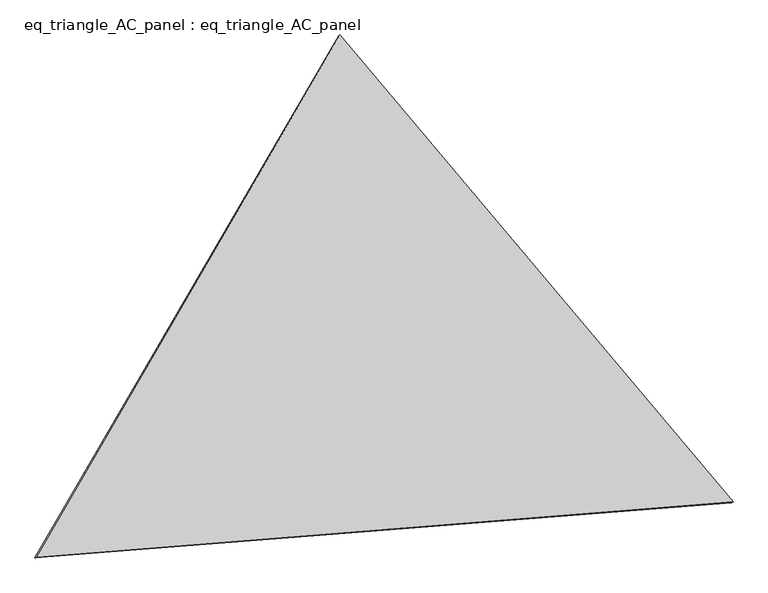
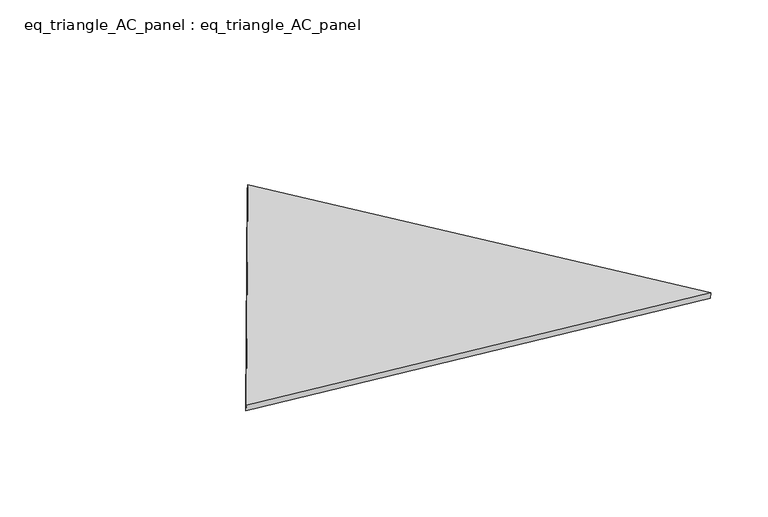
"""IFC4 building model written with IfcOpenShell, lengths in millimetres: proxy geometry, eq_triangle_AC_panel : eq_triangle_AC_panel."""

import ifcopenshell
import ifcopenshell.guid

model = None  # the IFC model being written
_history = None  # IfcOwnerHistory: only IFC2X3 demands one
_inside = {}  # id of a spatial element -> (the spatial element, [elements in it])
_under = {}  # id of a project, library or spatial element -> (it, [spatial elements below it])
_declared = {}  # id of a project -> (the project, [libraries it declares])
_typed = {}  # id of a type object -> (the type object, [elements of that type])
_made_of = {}  # id of a material, layer set ... -> (it, [elements and type objects made of it])


def new_model(schema):
    """Start an empty IFC model of exactly this schema.

    Asked for "IFC4X3", IfcOpenShell would pick the latest addendum, in which some entities
    have other attributes; the version numbers below select the first issue.
    IFC2X3 requires an IfcOwnerHistory on every rooted entity: one is made here for all.
    """
    global model, _history
    if schema == "IFC4X3":
        model = ifcopenshell.file(schema_version=(4, 3, 0, 0))
    else:
        model = ifcopenshell.file(schema=schema)
    _inside.clear()
    _under.clear()
    _declared.clear()
    _typed.clear()
    _made_of.clear()
    _history = None
    if model.schema == "IFC2X3":
        org = make("IfcOrganization", Name="unknown")
        user = make(
            "IfcPersonAndOrganization",
            ThePerson=make("IfcPerson", FamilyName="unknown"),
            TheOrganization=org,
        )
        app = make(
            "IfcApplication",
            ApplicationDeveloper=org,
            Version="unknown",
            ApplicationFullName="unknown",
            ApplicationIdentifier="unknown",
        )
        _history = make(
            "IfcOwnerHistory",
            OwningUser=user,
            OwningApplication=app,
            ChangeAction="ADDED",
            CreationDate=0,
        )
    return model


def make(cls, **values):
    """One entity of the class cls with the attributes given. An attribute that is None is left unset."""
    return model.create_entity(
        cls, **{name: value for name, value in values.items() if value is not None}
    )


def rooted(cls, **values):
    """An entity with a GlobalId (a new one), such as an element, a storey or a relation."""
    return make(cls, GlobalId=ifcopenshell.guid.new(), OwnerHistory=_history, **values)


def si_unit(unit_type, name, prefix=None):
    """IfcSIUnit, for example si_unit("LENGTHUNIT", "METRE", prefix="MILLI")."""
    return make("IfcSIUnit", UnitType=unit_type, Prefix=prefix, Name=name)


def assignment(units):
    """IfcUnitAssignment: the units of a project."""
    return None if units is None else make("IfcUnitAssignment", Units=units)


def point(xyz):
    """IfcCartesianPoint."""
    return None if xyz is None else make("IfcCartesianPoint", Coordinates=xyz)


def direction(xyz):
    """IfcDirection."""
    return None if xyz is None else make("IfcDirection", DirectionRatios=xyz)


def frame(location, z_axis=None, x_axis=None):
    """IfcAxis2Placement3D, a coordinate frame: its origin and axes. An axis left out is left unset."""
    return make(
        "IfcAxis2Placement3D",
        Location=point(location),
        Axis=direction(z_axis),
        RefDirection=direction(x_axis),
    )


def origin():
    """The frame at (0, 0, 0) with its axes left unset."""
    return frame((0.0, 0.0, 0.0))


def place(relative_to, where):
    """IfcLocalPlacement: puts the frame where relative to a parent placement (None: the world)."""
    return make(
        "IfcLocalPlacement", PlacementRelTo=relative_to, RelativePlacement=where
    )


def context(
    kind, dimensions, precision=None, world=None, true_north=None, identifier=None
):
    """IfcGeometricRepresentationContext, for example the 3D "Model" context."""
    return make(
        "IfcGeometricRepresentationContext",
        ContextIdentifier=identifier,
        ContextType=kind,
        CoordinateSpaceDimension=dimensions,
        Precision=precision,
        WorldCoordinateSystem=world,
        TrueNorth=true_north,
    )


def project(units=None, contexts=None):
    """IfcProject with its units and contexts."""
    return rooted(
        "IfcProject",
        Name="project",
        RepresentationContexts=contexts,
        UnitsInContext=assignment(units),
    )


def spatial(cls, under=None, at=None, **own):
    """A site, building, storey or space (cls), placed at a placement, below another one or the project."""
    s = rooted(cls, ObjectPlacement=at, **own)
    if under is not None:
        _under.setdefault(under.id(), (under, []))[1].append(s)
    return s


def polyline(points):
    """IfcPolyline through the points."""
    return make("IfcPolyline", Points=[point(p) for p in points])


def outline(outer, holes=None, kind="AREA"):
    """IfcArbitraryClosedProfileDef: a profile drawn as a closed curve; with holes, ...WithVoids."""
    if holes is None:
        return make("IfcArbitraryClosedProfileDef", ProfileType=kind, OuterCurve=outer)
    return make(
        "IfcArbitraryProfileDefWithVoids",
        ProfileType=kind,
        OuterCurve=outer,
        InnerCurves=holes,
    )


def extrude(swept, where, along, depth):
    """IfcExtrudedAreaSolid: the profile swept, set in the frame where, extruded along a direction by depth."""
    return make(
        "IfcExtrudedAreaSolid",
        SweptArea=swept,
        Position=where,
        ExtrudedDirection=direction(along),
        Depth=depth,
    )


def shape(context_of_items, identifier, shape_type, items):
    """IfcShapeRepresentation: the items that make up one representation, for example the "Body"."""
    return make(
        "IfcShapeRepresentation",
        ContextOfItems=context_of_items,
        RepresentationIdentifier=identifier,
        RepresentationType=shape_type,
        Items=items,
    )


def source(mapping_origin, context_of_items, identifier, shape_type, items):
    """IfcRepresentationMap: a shape defined once, which mapped items show again and again."""
    return make(
        "IfcRepresentationMap",
        MappingOrigin=mapping_origin,
        MappedRepresentation=shape(context_of_items, identifier, shape_type, items),
    )


def transform(
    local_origin,
    x_axis=None,
    y_axis=None,
    z_axis=None,
    scale=None,
    scale2=None,
    scale3=None,
    uniform=True,
):
    """IfcCartesianTransformationOperator3D, or its non-uniform kind. x_axis, y_axis, z_axis: its Axis1, 2, 3."""
    if uniform:
        return make(
            "IfcCartesianTransformationOperator3D",
            Axis1=direction(x_axis),
            Axis2=direction(y_axis),
            LocalOrigin=point(local_origin),
            Scale=scale,
            Axis3=direction(z_axis),
        )
    return make(
        "IfcCartesianTransformationOperator3DnonUniform",
        Axis1=direction(x_axis),
        Axis2=direction(y_axis),
        LocalOrigin=point(local_origin),
        Scale=scale,
        Axis3=direction(z_axis),
        Scale2=scale2,
        Scale3=scale3,
    )


def mapped(mapping_source, mapping_target):
    """IfcMappedItem: shows the shape of a source again, moved by a transform."""
    return make(
        "IfcMappedItem", MappingSource=mapping_source, MappingTarget=mapping_target
    )


def made_of(thing, what):
    """Note that an element or type object is made of a material, layer set ...; save() writes the relation."""
    if what is not None:
        _made_of.setdefault(what.id(), (what, []))[1].append(thing)
    return thing


def element(
    cls,
    number,
    at=None,
    inside=None,
    cuts=None,
    type_object=None,
    material=None,
    context=None,
    identifier="Body",
    shape_type=None,
    held_by="IfcProductDefinitionShape",
    body=None,
    shapes=None,
    **own,
):
    """One element of the class cls, such as IfcWall. Its Tag is "e" and its number.

    at: its placement. inside: the storey or other place that contains it. cuts: it is an
    opening in that element (IfcRelVoidsElement). A single representation is given by context,
    identifier, shape_type and body (its items); several are given by shapes. held_by: the class
    of the entity that holds the representations. save() writes the other relations.
    """
    e = rooted(cls, Tag="e%d" % number, ObjectPlacement=at, **own)
    if body is not None:
        shapes = [shape(context, identifier, shape_type, body)]
    if shapes is not None:
        e.Representation = make(held_by, Representations=shapes)
    if inside is not None:
        _inside.setdefault(inside.id(), (inside, []))[1].append(e)
    if cuts is not None:
        rooted(
            "IfcRelVoidsElement", RelatingBuildingElement=cuts, RelatedOpeningElement=e
        )
    if type_object is not None:
        _typed.setdefault(type_object.id(), (type_object, []))[1].append(e)
    return made_of(e, material)


def aggregate(whole, parts):
    """IfcRelAggregates: a whole, such as a stair, and the parts it consists of."""
    return rooted("IfcRelAggregates", RelatingObject=whole, RelatedObjects=parts)


def save(model, path):
    """Write the relations noted so far, then the file.

    IfcRelAggregates (storeys below a building ...), IfcRelContainedInSpatialStructure (elements
    in a storey), IfcRelDefinesByType, IfcRelAssociatesMaterial and IfcRelDeclares: one each for
    every whole, place, type object, material and project.
    """
    for whole, parts in _under.values():
        aggregate(whole, parts)
    for where, things in _inside.values():
        rooted(
            "IfcRelContainedInSpatialStructure",
            RelatedElements=things,
            RelatingStructure=where,
        )
    for kind, things in _typed.values():
        rooted("IfcRelDefinesByType", RelatedObjects=things, RelatingType=kind)
    for what, things in _made_of.values():
        rooted("IfcRelAssociatesMaterial", RelatedObjects=things, RelatingMaterial=what)
    for by, libraries in _declared.values():
        rooted("IfcRelDeclares", RelatingContext=by, RelatedDefinitions=libraries)
    model.write(path)


def eq_triangle_ac_panel_eq_triangle_ac_panel_665eafb4(model_context):
    return source(origin(), model_context, "Body", "SweptSolid", [
        extrude(outline(polyline([(-1545.5360696, 1096.9348356), (1940.6188186, 1096.9348357), (-395.0827491, -2193.8696712), (-1545.5360696, 1096.9348356)])), frame((0.0038051, 527.9290861, 89.8240019), z_axis=(0.1452632851807356, 0.08386570281631871, 0.9858321976227118), x_axis=(0.6434012542711837, -0.7649515786664356, -0.02973059531855727)), (0.0, 0.0, 1.0), 43.8306294),
    ])


if __name__ == "__main__":
    model = new_model("IFC4")
    model_context = context("Model", 3, world=origin())
    ifc_project = project(units=[si_unit("LENGTHUNIT", "METRE", prefix="MILLI")], contexts=[model_context])
    site = spatial("IfcSite", under=ifc_project)
    building = spatial("IfcBuilding", under=site)
    placement = place(None, origin())
    eq_triangle_ac_panel_eq_triangle_ac_panel_shape = eq_triangle_ac_panel_eq_triangle_ac_panel_665eafb4(model_context)
    element("IfcBuildingElementProxy", 1, Name="eq_triangle_AC_panel : eq_triangle_AC_panel", ObjectType="eq_triangle_AC_panel : eq_triangle_AC_panel", at=placement, inside=building, context=model_context, shape_type="MappedRepresentation", body=[
        mapped(eq_triangle_ac_panel_eq_triangle_ac_panel_shape, transform((0.0, 0.0, 0.0), x_axis=(1.0, 0.0, 0.0), y_axis=(0.0, 1.0, 0.0), z_axis=(0.0, 0.0, 1.0))),
    ])
    save(model, "model.ifc")
